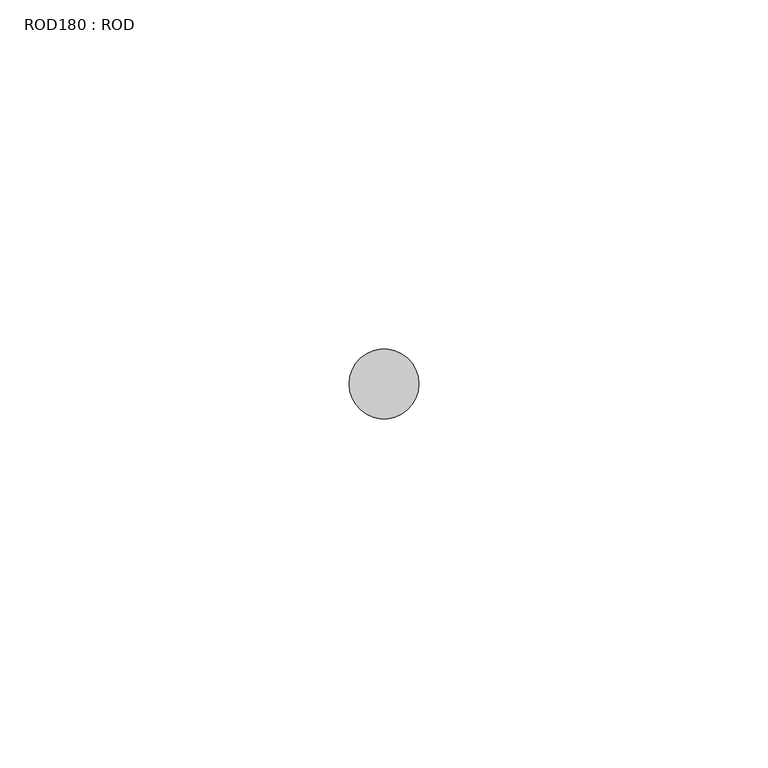
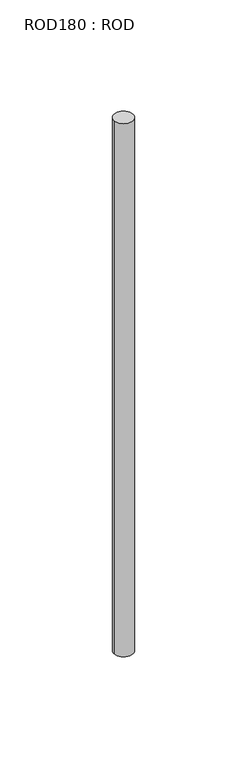
"""IFC4 building model written with IfcOpenShell, lengths in millimetres: proxy geometry, ROD180 : ROD."""

from ifc_helpers import new_model, si_unit, point, frame, frame_2d, origin, place, context, project, spatial, circle_curve, trimmed, segment, composite_curve, outline, extrude, source, transform, mapped, element, save


def rod180_rod_8fde9b76(model_context):
    return source(origin(), model_context, "Body", "SweptSolid", [
        extrude(outline(composite_curve([segment(trimmed(circle_curve(frame_2d((8699.7673324, -21568.1048728)), 5.0), [point((8694.7673324, -21568.1048728))], [point((8704.7673324, -21568.1048728))], False, "CARTESIAN"), True, "CONTINUOUS"), segment(trimmed(circle_curve(frame_2d((8699.7673324, -21568.1048728)), 5.0), [point((8704.7673324, -21568.1048728))], [point((8694.7673324, -21568.1048728))], False, "CARTESIAN"), True, "CONTINUOUS")], self_intersect=False)), frame((0.0, 0.0, 166.3391155), z_axis=(0.0, 0.0, 1.0), x_axis=(1.0, 0.0, 0.0)), (0.0, 0.0, 1.0), 298.9028972),
    ])


if __name__ == "__main__":
    model = new_model("IFC4")
    model_context = context("Model", 3, world=origin())
    ifc_project = project(units=[si_unit("LENGTHUNIT", "METRE", prefix="MILLI")], contexts=[model_context])
    site = spatial("IfcSite", under=ifc_project)
    building = spatial("IfcBuilding", under=site)
    placement = place(None, origin())
    rod180_rod_shape = rod180_rod_8fde9b76(model_context)
    element("IfcBuildingElementProxy", 1, Name="ROD180 : ROD", ObjectType="ROD180 : ROD", at=placement, inside=building, context=model_context, shape_type="MappedRepresentation", body=[
        mapped(rod180_rod_shape, transform((0.0, 0.0, 0.0), x_axis=(1.0, 0.0, 0.0), y_axis=(0.0, 1.0, 0.0), z_axis=(0.0, 0.0, 1.0))),
    ])
    save(model, "model.ifc")
